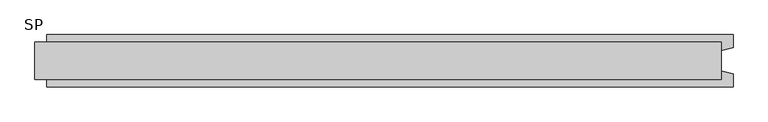
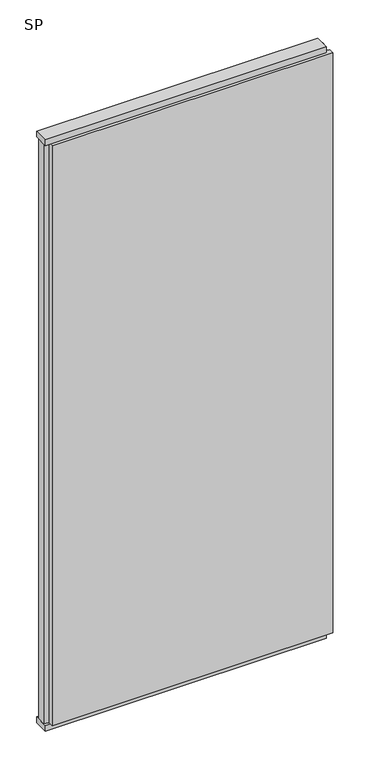
"""IFC4 building model written with IfcOpenShell, lengths in millimetres: plate geometry, SP."""

from ifc_helpers import new_model, si_unit, frame, origin, origin_with_axes, place, context, project, spatial, polyline, outline, extrude, source, transform, mapped, element, save


def sp_d0ad7062(model_context):
    return source(origin(), model_context, "Body", "SweptSolid", [
        extrude(outline(polyline([(590.0, -32.0), (-590.0, -32.0), (-590.0, 32.0), (590.0, 32.0), (590.0, -32.0)])), origin_with_axes(), (0.0, 0.0, 1.0), 25.0),
        extrude(outline(polyline([(590.0, -32.0), (-590.0, -32.0), (-590.0, 32.0), (590.0, 32.0), (590.0, -32.0)])), frame((0.0, 0.0, 2602.0), z_axis=(0.0, 0.0, 1.0), x_axis=(1.0, 0.0, 0.0)), (0.0, 0.0, 1.0), 25.0),
        extrude(outline(polyline([(610.0, -45.0), (-570.0, -45.0), (-570.0, -22.9993165), (-590.0, -17.6401049), (-590.0, 17.6401049), (-570.0, 22.9993165), (-570.0, 45.0), (610.0, 45.0), (610.0, 22.9993165), (590.0, 17.6401049), (590.0, -17.6401049), (610.0, -22.9993165), (610.0, -45.0)])), frame((0.0, 0.0, 25.0), z_axis=(0.0, 0.0, 1.0), x_axis=(1.0, 0.0, 0.0)), (0.0, 0.0, 1.0), 2577.0),
    ])


if __name__ == "__main__":
    model = new_model("IFC4")
    model_context = context("Model", 3, world=origin())
    ifc_project = project(units=[si_unit("LENGTHUNIT", "METRE", prefix="MILLI")], contexts=[model_context])
    site = spatial("IfcSite", under=ifc_project)
    building = spatial("IfcBuilding", under=site)
    placement = place(None, origin())
    sp_shape = sp_d0ad7062(model_context)
    element("IfcPlate", 1, ObjectType="SP", at=placement, inside=building, context=model_context, shape_type="MappedRepresentation", body=[
        mapped(sp_shape, transform((0.0, 0.0, 0.0), x_axis=(1.0, 0.0, 0.0), y_axis=(0.0, 1.0, 0.0), z_axis=(0.0, 0.0, 1.0))),
    ])
    save(model, "model.ifc")
